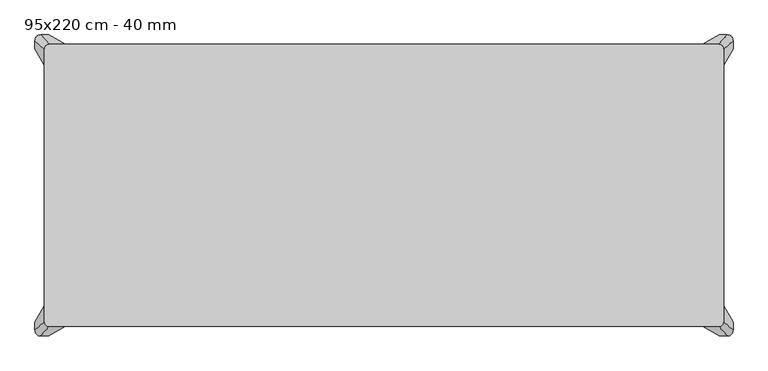
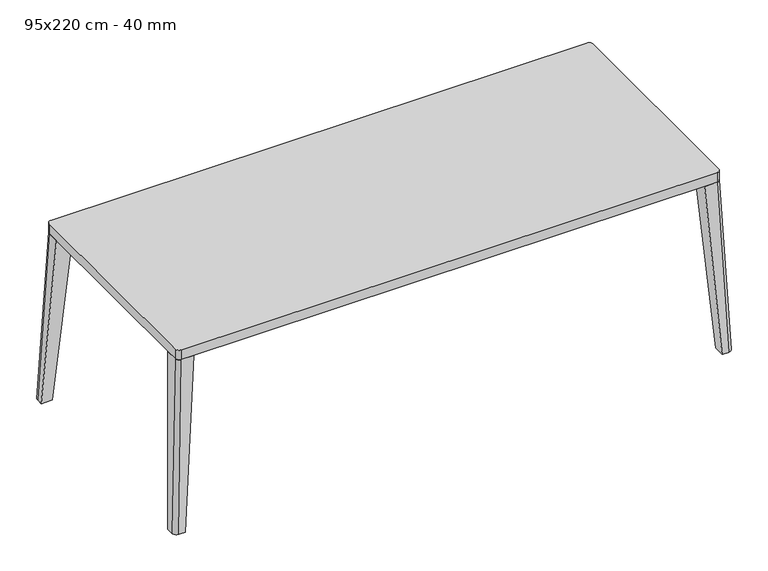
"""IFC4 building model written with IfcOpenShell, lengths in millimetres: furniture geometry, 95x220 cm - 40 mm."""

from ifc_helpers import new_model, si_unit, point, frame, frame_2d, origin, place, context, project, spatial, polyline, circle_curve, trimmed, segment, composite_curve, outline, extrude, source, transform, mapped, element, save
from ifc_brep_helpers import plane_surface, spline_surface, advanced_brep


def furniture_95x220_cm_40_mm_ca13e49d(model_context):
    return source(origin(), model_context, "Body", "SolidModel", [
        extrude(outline(composite_curve([segment(trimmed(circle_curve(frame_2d((676.9963315, 2016.1801252)), 17.0), [point((659.9963315, 2016.1801252))], [point((676.9963315, 2033.1801252))], False, "CARTESIAN"), True, "CONTINUOUS"), segment(polyline([(676.9963315, 2033.1801252), (700.0000347, 2033.1801252), (700.0000347, 166.7884784), (676.9963315, 166.7884784)]), True, "CONTINUOUS"), segment(trimmed(circle_curve(frame_2d((676.9963315, 183.7884784)), 17.0), [point((676.9963315, 166.7884784))], [point((659.9963315, 183.7884784))], False, "CARTESIAN"), True, "CONTINUOUS"), segment(polyline([(659.9963315, 183.7884784), (659.9963315, 2016.1801252)]), True, "CONTINUOUS")], self_intersect=False)), frame((0.0, -634.940193, 0.0), z_axis=(0.0, 1.0, 0.0), x_axis=(0.0, 0.0, 1.0)), (0.0, 0.0, 1.0), 37.6595636),
        extrude(outline(composite_curve([segment(trimmed(circle_curve(frame_2d((676.9963315, 2016.1801252)), 17.0), [point((659.9963315, 2016.1801252))], [point((676.9963315, 2033.1801252))], False, "CARTESIAN"), True, "CONTINUOUS"), segment(polyline([(676.9963315, 2033.1801252), (700.0000347, 2033.1801252), (700.0000347, 166.7884784), (676.9963315, 166.7884784)]), True, "CONTINUOUS"), segment(trimmed(circle_curve(frame_2d((676.9963315, 183.7884784)), 17.0), [point((676.9963315, 166.7884784))], [point((659.9963315, 183.7884784))], False, "CARTESIAN"), True, "CONTINUOUS"), segment(polyline([(659.9963315, 183.7884784), (659.9963315, 2016.1801252)]), True, "CONTINUOUS")], self_intersect=False)), frame((0.0, -352.7042424, 0.0), z_axis=(0.0, 1.0, 0.0), x_axis=(0.0, 0.0, 1.0)), (0.0, 0.0, 1.0), 36.6803067),
        advanced_brep(
        [(2155.0, -920.0, 700.0000347), (2170.0, -905.0, 700.0000347), (2170.0, -855.0, 700.0000347), (2105.0, -855.0, 700.0000347), (2105.0, -920.0, 700.0000347), (2182.0, -950.0, 0.0), (2156.5005106, -950.0, 0.0), (2156.5005106, -906.5, 0.0), (2200.0, -906.5, 0.0), (2200.0, -932.0, 0.0)],
        [
            (0, 1, circle_curve(frame((2155.0, -905.0, 700.0000347), z_axis=(0.0, 0.0, 1.0), x_axis=(-1.0, 0.0, 0.0)), 15.0)),
            (1, 2),
            (2, 3),
            (3, 4),
            (4, 0),
            (5, 6),
            (6, 7),
            (7, 8),
            (8, 9),
            (9, 5, circle_curve(frame((2182.0, -932.0, 0.0), z_axis=(0.0, 0.0, -1.0), x_axis=(-1.0, 0.0, 0.0)), 18.0)),
            (5, 0),
            (4, 6),
            (3, 7),
            (2, 8),
            (1, 9),
        ],
        [
            plane_surface(frame((2141.0, -891.0, 700.0000347), z_axis=(0.0, 0.0, 1.0), x_axis=(0.0, -1.0, 0.0))),
            plane_surface(frame((2179.0002042, -929.0, 0.0), z_axis=(0.0, 0.0, -1.0), x_axis=(0.0, -1.0, 0.0))),
            plane_surface(frame((2169.2502553, -950.0, 0.0), z_axis=(0.0, -0.9990828959085041, 0.04281783627271812), x_axis=(1.0, 0.0, 0.0))),
            plane_surface(frame((2156.5005106, -928.25, 0.0), z_axis=(-0.9973045068815265, 0.0, -0.07337384107292855), x_axis=(0.0, -1.0, 0.0))),
            plane_surface(frame((2178.2502553, -906.5, 0.0), z_axis=(0.0, 0.997304560110967, -0.0733731175695197), x_axis=(-1.0, 0.0, 0.0))),
            plane_surface(frame((2200.0, -919.25, 0.0), z_axis=(0.9990828959085046, 0.0, 0.042817836272705294), x_axis=(0.0, 1.0, 0.0))),
            spline_surface(2, 1, [[(2182.0, -950.0, 0.0), (2155.0, -920.0, 700.0000347)], [(2200.0, -950.0, 0.0), (2170.0, -920.0, 700.0000347)], [(2200.0, -932.0, 0.0), (2170.0, -905.0, 700.0000347)]], [3, 3], [2, 2], [0.0, 1.0], [0.0, 1.0], weights=[[1.0, 1.0], [0.7071067811865476, 0.7071067811865476], [1.0, 1.0]]),
        ],
        [
            (0, [[1, 2, 3, 4, 5]]),
            (1, [[6, 7, 8, 9, 10]]),
            (2, [[-6, 11, -5, 12]]),
            (3, [[-7, -12, -4, 13]]),
            (4, [[-8, -13, -3, 14]]),
            (5, [[-9, -14, -2, 15]]),
            (6, [[-10, -15, -1, -11]]),
        ],
    ),
        advanced_brep(
        [(2155.0, -30.0, 700.0000347), (2105.0, -30.0, 700.0000347), (2105.0, -95.0, 700.0000347), (2170.0, -95.0, 700.0000347), (2170.0, -45.0, 700.0000347), (2182.0, 0.0, 0.0), (2200.0, -18.0, 0.0), (2200.0, -43.5, 0.0), (2156.5005106, -43.5, 0.0), (2156.5005106, 0.0, 0.0)],
        [
            (0, 1),
            (1, 2),
            (2, 3),
            (3, 4),
            (4, 0, circle_curve(frame((2155.0, -45.0, 700.0000347), z_axis=(0.0, 0.0, 1.0), x_axis=(-1.0, 0.0, 0.0)), 15.0)),
            (5, 6, circle_curve(frame((2182.0, -18.0, 0.0), z_axis=(0.0, 0.0, -1.0), x_axis=(-1.0, 0.0, 0.0)), 18.0)),
            (6, 7),
            (7, 8),
            (8, 9),
            (9, 5),
            (9, 1),
            (0, 5),
            (8, 2),
            (7, 3),
            (6, 4),
        ],
        [
            plane_surface(frame((2141.0, -59.0, 700.0000347), z_axis=(0.0, 0.0, 1.0), x_axis=(0.0, 1.0, 0.0))),
            plane_surface(frame((2179.0002042, -21.0, 0.0), z_axis=(0.0, 0.0, -1.0), x_axis=(0.0, 1.0, 0.0))),
            plane_surface(frame((2169.2502553, 0.0, 0.0), z_axis=(0.0, 0.9990828959085049, 0.042817836272699), x_axis=(-1.0, 0.0, 0.0))),
            plane_surface(frame((2156.5005106, -21.75, 0.0), z_axis=(-0.9973045068815267, 0.0, -0.07337384107292443), x_axis=(0.0, -1.0, 0.0))),
            plane_surface(frame((2178.2502553, -43.5, 0.0), z_axis=(0.0, -0.9973045601109678, -0.07337311756951), x_axis=(1.0, 0.0, 0.0))),
            plane_surface(frame((2200.0, -30.75, 0.0), z_axis=(0.9990828959085047, 0.0, 0.042817836272702435), x_axis=(0.0, 1.0, 0.0))),
            spline_surface(2, 1, [[(2200.0, -18.0, 0.0), (2170.0, -45.0, 700.0000347)], [(2200.0, 0.0, 0.0), (2170.0, -30.0, 700.0000347)], [(2182.0, 0.0, 0.0), (2155.0, -30.0, 700.0000347)]], [3, 3], [2, 2], [0.0, 1.0], [0.0, 1.0], weights=[[1.0, 1.0], [0.7071067811865476, 0.7071067811865476], [1.0, 1.0]]),
        ],
        [
            (0, [[1, 2, 3, 4, 5]]),
            (1, [[6, 7, 8, 9, 10]]),
            (2, [[-10, 11, -1, 12]]),
            (3, [[-9, 13, -2, -11]]),
            (4, [[-8, 14, -3, -13]]),
            (5, [[-7, 15, -4, -14]]),
            (6, [[-6, -12, -5, -15]]),
        ],
    ),
        advanced_brep(
        [(45.0, -920.0, 700.0000347), (95.0, -920.0, 700.0000347), (95.0, -855.0, 700.0000347), (30.0, -855.0, 700.0000347), (30.0, -905.0, 700.0000347), (18.0, -950.0, 0.0), (0.0, -932.0, 0.0), (0.0, -906.5, 0.0), (43.4994894, -906.5, 0.0), (43.4994894, -950.0, 0.0)],
        [
            (0, 1),
            (1, 2),
            (2, 3),
            (3, 4),
            (4, 0, circle_curve(frame((45.0, -905.0, 700.0000347), z_axis=(0.0, 0.0, 1.0), x_axis=(1.0, 0.0, 0.0)), 15.0)),
            (5, 6, circle_curve(frame((18.0, -932.0, 0.0), z_axis=(0.0, 0.0, -1.0), x_axis=(1.0, 0.0, 0.0)), 18.0)),
            (6, 7),
            (7, 8),
            (8, 9),
            (9, 5),
            (9, 1),
            (0, 5),
            (8, 2),
            (7, 3),
            (6, 4),
        ],
        [
            plane_surface(frame((59.0, -891.0, 700.0000347), z_axis=(0.0, 0.0, 1.0), x_axis=(-1.0, 0.0, 0.0))),
            plane_surface(frame((20.9997958, -929.0, 0.0), z_axis=(0.0, 0.0, -1.0), x_axis=(-1.0, 0.0, 0.0))),
            plane_surface(frame((30.7497447, -950.0, 0.0), z_axis=(0.0, -0.9990828959085047, 0.042817836272702386), x_axis=(1.0, 0.0, 0.0))),
            plane_surface(frame((43.4994894, -928.25, 0.0), z_axis=(0.9973045068815267, 0.0, -0.07337384107292447), x_axis=(0.0, 1.0, 0.0))),
            plane_surface(frame((21.7497447, -906.5, 0.0), z_axis=(0.0, 0.997304560110967, -0.07337311756952035), x_axis=(-1.0, 0.0, 0.0))),
            plane_surface(frame((0.0, -919.25, 0.0), z_axis=(-0.9990828959085059, 0.0, 0.04281783627267784), x_axis=(0.0, -1.0, 0.0))),
            spline_surface(2, 1, [[(0.0, -932.0, 0.0), (30.0, -905.0, 700.0000347)], [(0.0, -950.0, 0.0), (30.0, -920.0, 700.0000347)], [(18.0, -950.0, 0.0), (45.0, -920.0, 700.0000347)]], [3, 3], [2, 2], [0.0, 1.0], [0.0, 1.0], weights=[[1.0, 1.0], [0.7071067811865476, 0.7071067811865476], [1.0, 1.0]]),
        ],
        [
            (0, [[1, 2, 3, 4, 5]]),
            (1, [[6, 7, 8, 9, 10]]),
            (2, [[-10, 11, -1, 12]]),
            (3, [[-9, 13, -2, -11]]),
            (4, [[-8, 14, -3, -13]]),
            (5, [[-7, 15, -4, -14]]),
            (6, [[-6, -12, -5, -15]]),
        ],
    ),
        advanced_brep(
        [(45.0, -30.0, 700.0000347), (30.0, -45.0, 700.0000347), (30.0, -95.0, 700.0000347), (95.0, -95.0, 700.0000347), (95.0, -30.0, 700.0000347), (18.0, 0.0, 0.0), (43.4994894, 0.0, 0.0), (43.4994894, -43.5, 0.0), (0.0, -43.5, 0.0), (0.0, -18.0, 0.0)],
        [
            (0, 1, circle_curve(frame((45.0, -45.0, 700.0000347), z_axis=(0.0, 0.0, 1.0), x_axis=(1.0, 0.0, 0.0)), 15.0)),
            (1, 2),
            (2, 3),
            (3, 4),
            (4, 0),
            (5, 6),
            (6, 7),
            (7, 8),
            (8, 9),
            (9, 5, circle_curve(frame((18.0, -18.0, 0.0), z_axis=(0.0, 0.0, -1.0), x_axis=(1.0, 0.0, 0.0)), 18.0)),
            (9, 1),
            (0, 5),
            (8, 2),
            (7, 3),
            (6, 4),
        ],
        [
            plane_surface(frame((59.0, -59.0, 700.0000347), z_axis=(0.0, 0.0, 1.0), x_axis=(-1.0, 0.0, 0.0))),
            plane_surface(frame((20.9997958, -21.0, 0.0), z_axis=(0.0, 0.0, -1.0), x_axis=(-1.0, 0.0, 0.0))),
            spline_surface(2, 1, [[(18.0, 0.0, 0.0), (45.0, -30.0, 700.0000347)], [(0.0, 0.0, 0.0), (30.0, -30.0, 700.0000347)], [(0.0, -18.0, 0.0), (30.0, -45.0, 700.0000347)]], [3, 3], [2, 2], [0.0, 1.0], [0.0, 1.0], weights=[[1.0, 1.0], [0.7071067811865476, 0.7071067811865476], [1.0, 1.0]]),
            plane_surface(frame((0.0, -30.75, 0.0), z_axis=(-0.9990828959085059, 0.0, 0.04281783627267759), x_axis=(0.0, -1.0, 0.0))),
            plane_surface(frame((21.7497447, -43.5, 0.0), z_axis=(0.0, -0.997304560110967, -0.07337311756952028), x_axis=(1.0, 0.0, 0.0))),
            plane_surface(frame((43.4994894, -21.75, 0.0), z_axis=(0.9973045068815267, 0.0, -0.0733738410729242), x_axis=(0.0, 1.0, 0.0))),
            plane_surface(frame((30.7497447, 0.0, 0.0), z_axis=(0.0, 0.9990828959085047, 0.04281783627270241), x_axis=(-1.0, 0.0, 0.0))),
        ],
        [
            (0, [[1, 2, 3, 4, 5]]),
            (1, [[6, 7, 8, 9, 10]]),
            (2, [[-10, 11, -1, 12]]),
            (3, [[-9, 13, -2, -11]]),
            (4, [[-8, 14, -3, -13]]),
            (5, [[-7, 15, -4, -14]]),
            (6, [[-6, -12, -5, -15]]),
        ],
    ),
        extrude(outline(composite_curve([segment(trimmed(circle_curve(frame_2d((2155.0, -45.0)), 15.0), [point((2155.0, -30.0))], [point((2170.0, -45.0))], False, "CARTESIAN"), True, "CONTINUOUS"), segment(polyline([(2170.0, -45.0), (2170.0, -905.0)]), True, "CONTINUOUS"), segment(trimmed(circle_curve(frame_2d((2155.0, -905.0)), 15.0), [point((2170.0, -905.0))], [point((2155.0, -920.0))], False, "CARTESIAN"), True, "CONTINUOUS"), segment(polyline([(2155.0, -920.0), (45.0, -920.0)]), True, "CONTINUOUS"), segment(trimmed(circle_curve(frame_2d((45.0, -905.0)), 15.0), [point((45.0, -920.0))], [point((30.0, -905.0))], False, "CARTESIAN"), True, "CONTINUOUS"), segment(polyline([(30.0, -905.0), (30.0, -45.0)]), True, "CONTINUOUS"), segment(trimmed(circle_curve(frame_2d((45.0, -45.0)), 15.0), [point((30.0, -45.0))], [point((45.0, -30.0))], False, "CARTESIAN"), True, "CONTINUOUS"), segment(polyline([(45.0, -30.0), (2155.0, -30.0)]), True, "CONTINUOUS")], self_intersect=False)), frame((0.0, 0.0, 700.0000347), z_axis=(0.0, 0.0, 1.0), x_axis=(1.0, 0.0, 0.0)), (0.0, 0.0, 1.0), 40.0),
    ])


if __name__ == "__main__":
    model = new_model("IFC4")
    model_context = context("Model", 3, world=origin())
    ifc_project = project(units=[si_unit("LENGTHUNIT", "METRE", prefix="MILLI")], contexts=[model_context])
    site = spatial("IfcSite", under=ifc_project)
    building = spatial("IfcBuilding", under=site)
    placement = place(None, origin())
    furniture_95x220_cm_40_mm_shape = furniture_95x220_cm_40_mm_ca13e49d(model_context)
    element("IfcFurniture", 1, ObjectType="95x220 cm - 40 mm", at=placement, inside=building, context=model_context, shape_type="MappedRepresentation", body=[
        mapped(furniture_95x220_cm_40_mm_shape, transform((0.0, 0.0, 0.0), x_axis=(1.0, 0.0, 0.0), y_axis=(0.0, 1.0, 0.0), z_axis=(0.0, 0.0, 1.0))),
    ])
    save(model, "model.ifc")
